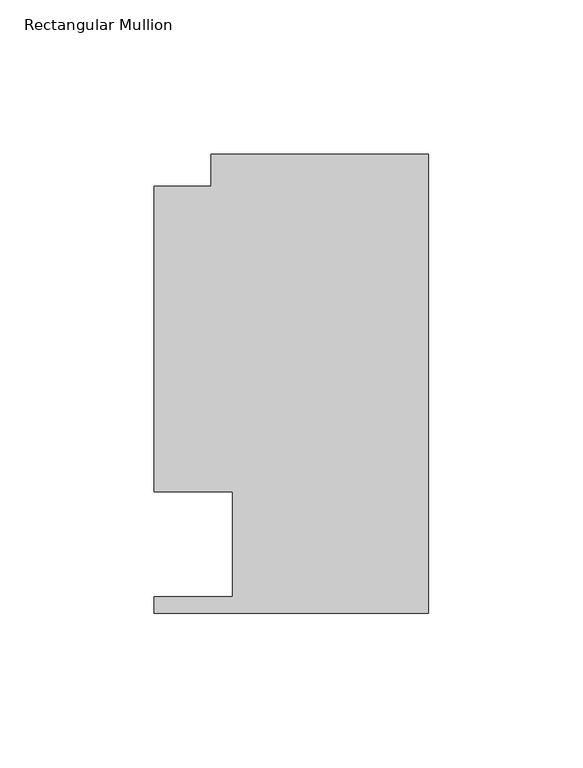
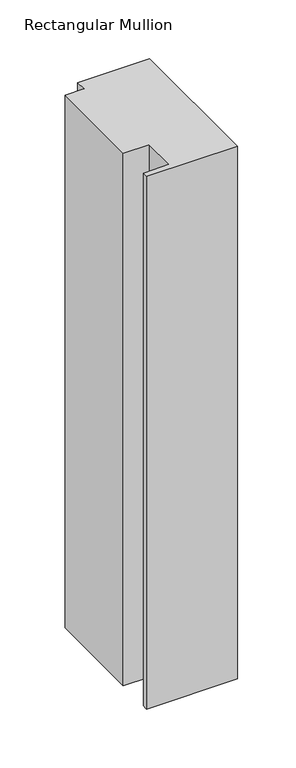
"""IFC4 building model written with IfcOpenShell, lengths in millimetres: member geometry, Rectangular Mullion."""

from ifc_helpers import new_model, si_unit, frame, origin, place, context, project, spatial, polyline, outline, extrude, source, transform, mapped, element, save


def rectangular_mullion_31f15697(model_context):
    return source(origin(), model_context, "Body", "SweptSolid", [
        extrude(outline(polyline([(0.0, 148.737016), (0.0, 0.0198437), (-88.9090899, 0.0198437), (-88.9090899, 5.3538437), (-63.5090899, 5.3538437), (-63.5090899, 39.3898438), (-88.9090899, 39.3898438), (-88.9090899, 138.3230199), (-70.3924898, 138.3230199), (-70.3924898, 148.737016), (0.0, 148.737016)])), frame((0.0, 0.0, -551.4537125), z_axis=(0.0, 0.0, 1.0), x_axis=(1.0, 0.0, 0.0)), (0.0, 0.0, 1.0), 551.4537125),
    ])


if __name__ == "__main__":
    model = new_model("IFC4")
    model_context = context("Model", 3, world=origin())
    ifc_project = project(units=[si_unit("LENGTHUNIT", "METRE", prefix="MILLI")], contexts=[model_context])
    site = spatial("IfcSite", under=ifc_project)
    building = spatial("IfcBuilding", under=site)
    placement = place(None, origin())
    rectangular_mullion_shape = rectangular_mullion_31f15697(model_context)
    element("IfcMember", 1, ObjectType="Rectangular Mullion", at=placement, inside=building, context=model_context, shape_type="MappedRepresentation", body=[
        mapped(rectangular_mullion_shape, transform((0.0, 0.0, 0.0), x_axis=(1.0, 0.0, 0.0), y_axis=(0.0, 1.0, 0.0), z_axis=(0.0, 0.0, 1.0))),
    ])
    save(model, "model.ifc")
